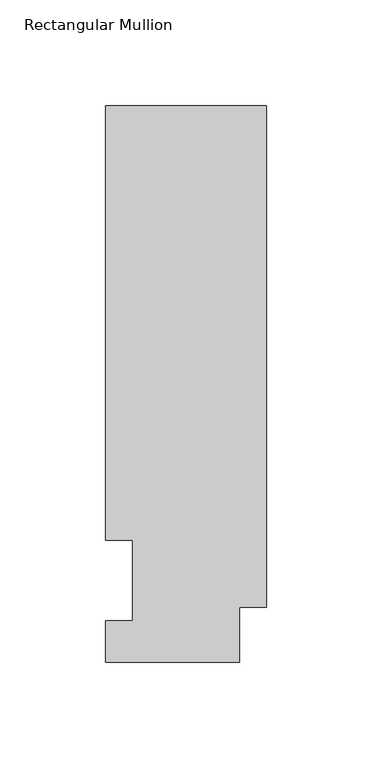
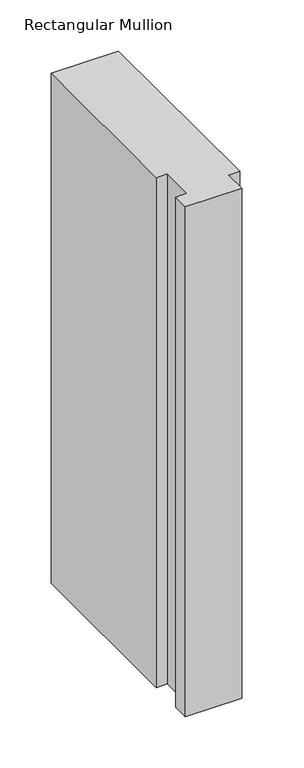
"""IFC4 building model written with IfcOpenShell, lengths in millimetres: member geometry, Rectangular Mullion."""

from ifc_helpers import new_model, si_unit, frame, origin, place, context, project, spatial, polyline, outline, extrude, source, transform, mapped, element, save


def rectangular_mullion_e9771cff(model_context):
    return source(origin(), model_context, "Body", "SweptSolid", [
        extrude(outline(polyline([(0.0, 263.2336938), (0.0, 25.8955957), (-12.7, 25.8955957), (-12.7, 0.0134938), (-76.2, 0.0134938), (-76.2, 19.5460938), (-63.5, 19.5460938), (-63.5, 57.6460938), (-76.2, 57.6460937), (-76.2, 263.2336938), (0.0, 263.2336938)])), frame((0.0, 0.0, -609.6), z_axis=(0.0, 0.0, 1.0), x_axis=(1.0, 0.0, 0.0)), (0.0, 0.0, 1.0), 609.6),
    ])


if __name__ == "__main__":
    model = new_model("IFC4")
    model_context = context("Model", 3, world=origin())
    ifc_project = project(units=[si_unit("LENGTHUNIT", "METRE", prefix="MILLI")], contexts=[model_context])
    site = spatial("IfcSite", under=ifc_project)
    building = spatial("IfcBuilding", under=site)
    placement = place(None, origin())
    rectangular_mullion_shape = rectangular_mullion_e9771cff(model_context)
    element("IfcMember", 1, ObjectType="Rectangular Mullion", at=placement, inside=building, context=model_context, shape_type="MappedRepresentation", body=[
        mapped(rectangular_mullion_shape, transform((0.0, 0.0, 0.0), x_axis=(1.0, 0.0, 0.0), y_axis=(0.0, 1.0, 0.0), z_axis=(0.0, 0.0, 1.0))),
    ])
    save(model, "model.ifc")
